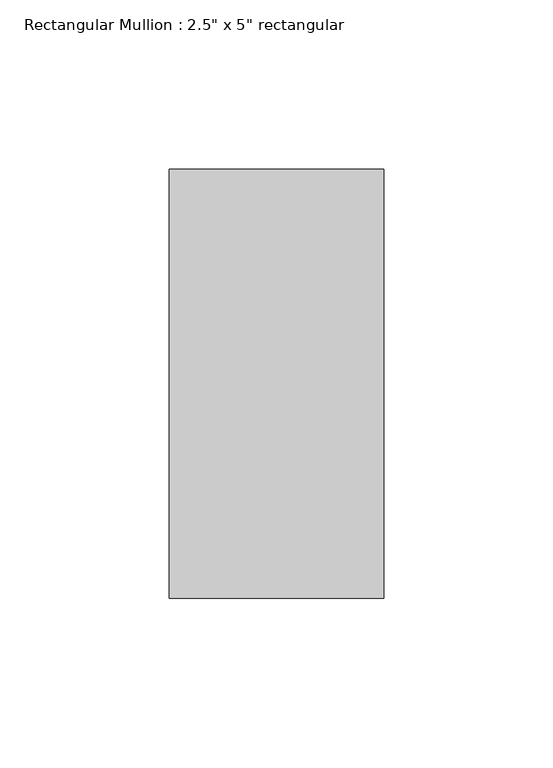
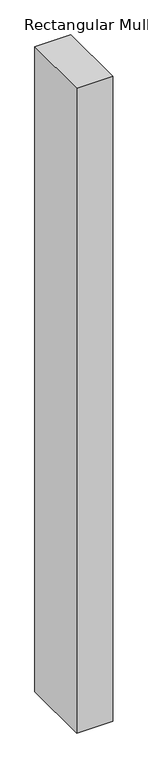
"""IFC4 building model written with IfcOpenShell, lengths in millimetres: member geometry."""

from ifc_helpers import new_model, si_unit, frame, origin, place, context, project, spatial, polyline, outline, extrude, source, transform, mapped, element, save


def member_9cceb9fc(model_context):
    return source(origin(), model_context, "Body", "SweptSolid", [
        extrude(outline(polyline([(0.0, 63.5), (0.0, -63.5), (-63.5, -63.5), (-63.5, 63.5), (0.0, 63.5)])), frame((0.0, 0.0, -1200.0), z_axis=(0.0, 0.0, 1.0), x_axis=(1.0, 0.0, 0.0)), (0.0, 0.0, 1.0), 1200.0),
    ])


if __name__ == "__main__":
    model = new_model("IFC4")
    model_context = context("Model", 3, world=origin())
    ifc_project = project(units=[si_unit("LENGTHUNIT", "METRE", prefix="MILLI")], contexts=[model_context])
    site = spatial("IfcSite", under=ifc_project)
    building = spatial("IfcBuilding", under=site)
    placement = place(None, origin())
    member_shape = member_9cceb9fc(model_context)
    element("IfcMember", 1, ObjectType="Rectangular Mullion : 2.5\" x 5\" rectangular", at=placement, inside=building, context=model_context, shape_type="MappedRepresentation", body=[
        mapped(member_shape, transform((0.0, 0.0, 0.0), x_axis=(1.0, 0.0, 0.0), y_axis=(0.0, 1.0, 0.0), z_axis=(0.0, 0.0, 1.0))),
    ])
    save(model, "model.ifc")
